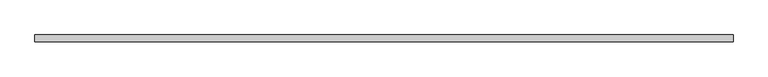
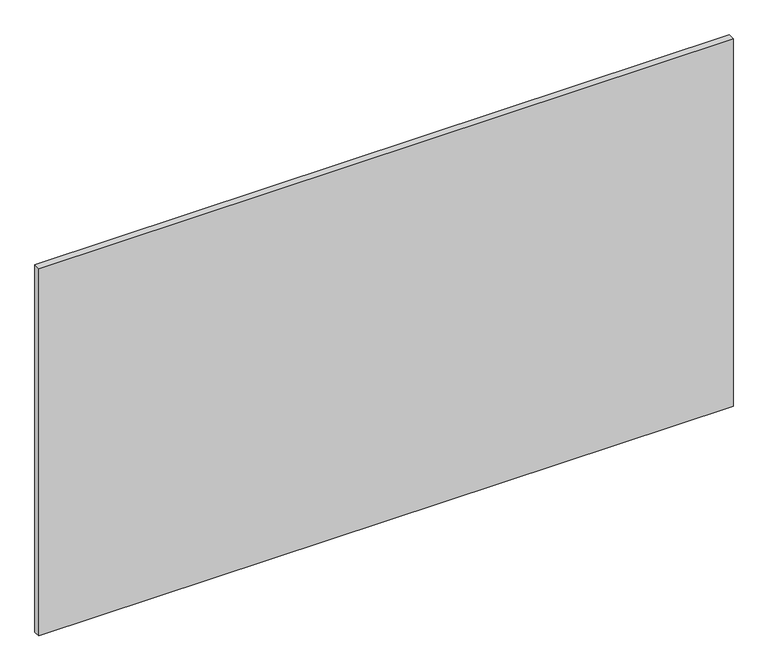
"""IFC4 building model written with IfcOpenShell, lengths in millimetres: plate geometry."""

from ifc_helpers import new_model, si_unit, origin, origin_with_axes, place, context, project, spatial, polyline, outline, extrude, source, transform, mapped, element, save


def plate_44733b25(model_context):
    return source(origin(), model_context, "Body", "SweptSolid", [
        extrude(outline(polyline([(632.5, 6.0), (632.5, -6.0), (-632.5, -6.0), (-632.5, 6.0), (632.5, 6.0)])), origin_with_axes(), (0.0, 0.0, 1.0), 707.5),
    ])


if __name__ == "__main__":
    model = new_model("IFC4")
    model_context = context("Model", 3, world=origin())
    ifc_project = project(units=[si_unit("LENGTHUNIT", "METRE", prefix="MILLI")], contexts=[model_context])
    site = spatial("IfcSite", under=ifc_project)
    building = spatial("IfcBuilding", under=site)
    placement = place(None, origin())
    plate_shape = plate_44733b25(model_context)
    element("IfcPlate", 1, at=placement, inside=building, context=model_context, shape_type="MappedRepresentation", body=[
        mapped(plate_shape, transform((0.0, 0.0, 0.0), x_axis=(1.0, 0.0, 0.0), y_axis=(0.0, 1.0, 0.0), z_axis=(0.0, 0.0, 1.0))),
    ])
    save(model, "model.ifc")
